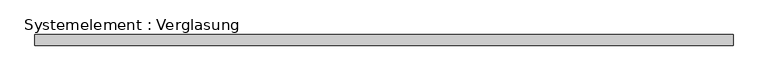
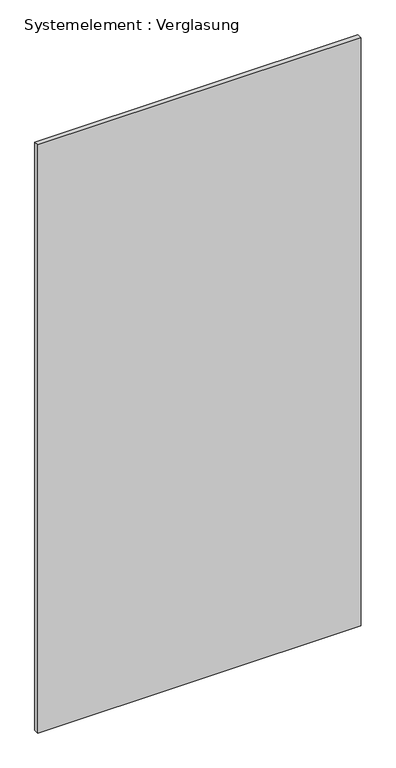
"""IFC4 building model written with IfcOpenShell, lengths in millimetres: plate geometry, Systemelement : Verglasung."""

from ifc_helpers import new_model, si_unit, origin, origin_with_axes, place, context, project, spatial, polyline, outline, extrude, source, transform, mapped, element, save


def systemelement_verglasung_8058a788(model_context):
    return source(origin(), model_context, "Body", "SweptSolid", [
        extrude(outline(polyline([(948.2094797, -15.0), (-948.2094797, -15.0), (-948.2094797, 15.0), (948.2094797, 15.0), (948.2094797, -15.0)])), origin_with_axes(), (0.0, 0.0, 1.0), 3645.0),
    ])


if __name__ == "__main__":
    model = new_model("IFC4")
    model_context = context("Model", 3, world=origin())
    ifc_project = project(units=[si_unit("LENGTHUNIT", "METRE", prefix="MILLI")], contexts=[model_context])
    site = spatial("IfcSite", under=ifc_project)
    building = spatial("IfcBuilding", under=site)
    placement = place(None, origin())
    systemelement_verglasung_shape = systemelement_verglasung_8058a788(model_context)
    element("IfcPlate", 1, ObjectType="Systemelement : Verglasung", at=placement, inside=building, context=model_context, shape_type="MappedRepresentation", body=[
        mapped(systemelement_verglasung_shape, transform((0.0, 0.0, 0.0), x_axis=(1.0, 0.0, 0.0), y_axis=(0.0, 1.0, 0.0), z_axis=(0.0, 0.0, 1.0))),
    ])
    save(model, "model.ifc")
